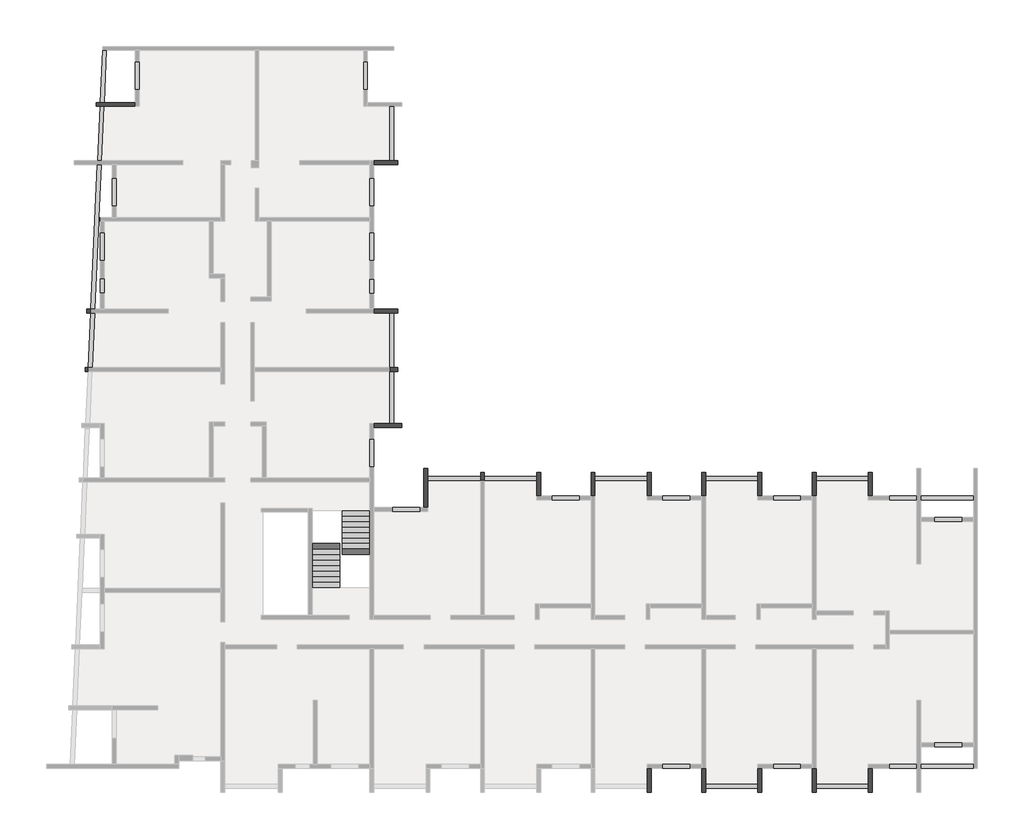
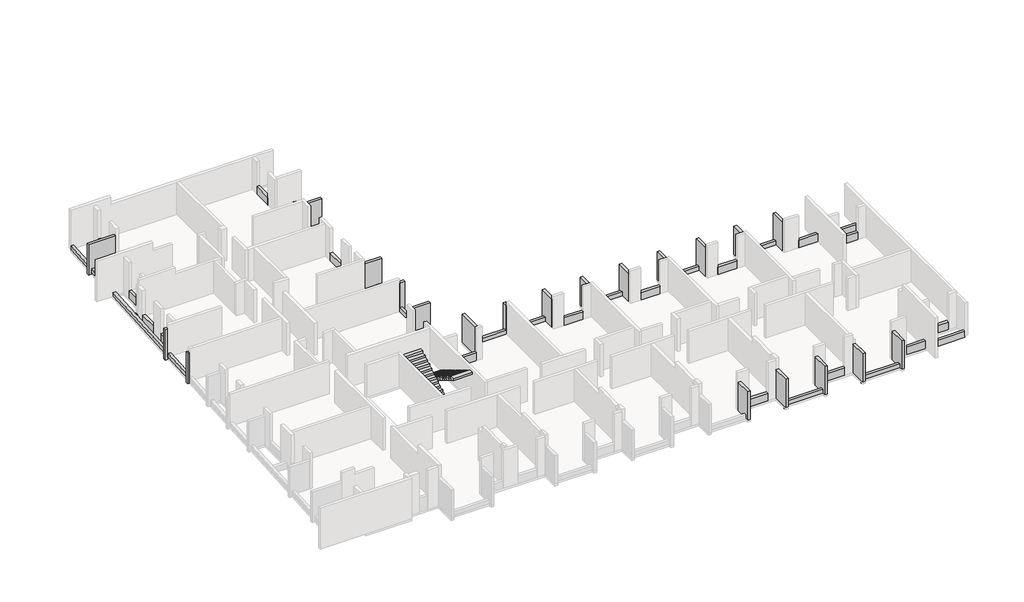
# One storey, part 4 of 4: 57 beams, 2 stair flights.
"""IFC4 building model written with IfcOpenShell, lengths in millimetres."""

from ifc_helpers import new_model, si_unit, frame, origin, place, context, project, spatial, polyline, outline, extrude, faceted_brep, element, save

model = new_model("IFC4")

# Units and contexts
model_context = context("Model", 3, world=origin())
ifc_project = project(units=[si_unit("LENGTHUNIT", "METRE", prefix="MILLI")], contexts=[model_context])

# Site, building, storey
site = spatial("IfcSite", under=ifc_project)
building = spatial("IfcBuilding", under=site)
storey = spatial("IfcBuildingStorey", under=building, Elevation=14820.0)

# Beams
placement = place(None, origin())
element("IfcBeam", 1, ObjectType="VI. 20/238", at=placement, inside=storey, context=model_context, shape_type="Brep", body=[
    faceted_brep([(-43631.1940773, 4000.9327501, 14670.0), (-43631.1940773, 4200.9327501, 14670.0), (-43631.1940773, 4200.9327501, 17050.0), (-43631.1940773, 4100.9327501, 17050.0), (-43631.1940773, 4100.9327501, 14820.0), (-43631.1940773, 4000.9327501, 14820.0), (-43830.6912908, 4000.9327501, 17050.0), (-43830.6912908, 4200.9327501, 17050.0), (-43830.6912908, 4200.9327501, 14670.0), (-43830.6912908, 4000.9327501, 14670.0), (-43635.7305686, 4000.9327501, 14820.0), (-43635.7305686, 4000.9327501, 17050.0)], [[[0, 1, 2, 3, 4, 5]], [[6, 7, 8, 9]], [[6, 9, 0, 5, 10, 11]], [[1, 0, 9, 8]], [[2, 1, 8, 7]], [[7, 6, 11, 3, 2]], [[4, 10, 5]], [[10, 4, 3, 11]]]),
])
element("IfcBeam", 2, ObjectType="VI. 20/238", at=placement, inside=storey, context=model_context, shape_type="Brep", body=[
    faceted_brep([(-3415.6912908, -5419.0672499, 17050.0), (-3615.6912908, -5419.0672499, 17050.0), (-3615.6912908, -5419.0672499, 14820.0), (-3415.6912908, -5419.0672499, 14820.0), (-3615.6912908, -4199.0672499, 17050.0), (-3415.6912908, -4199.0672499, 17050.0), (-3415.6912908, -4199.0672499, 14820.0), (-3615.6912908, -4199.0672499, 14820.0), (-3615.6912908, -4399.0672499, 14820.0), (-3615.6912908, -4599.0672499, 14820.0)], [[[0, 1, 2, 3]], [[4, 5, 6, 7]], [[1, 4, 7, 8, 9, 2]], [[5, 0, 3, 6]], [[1, 0, 5, 4]], [[3, 2, 9, 8, 7, 6]]]),
])
element("IfcBeam", 3, ObjectType="VI. 20/238", at=placement, inside=storey, context=model_context, shape_type="Brep", body=[
    faceted_brep([(-9105.6912908, -5419.0672499, 17050.0), (-9305.6912908, -5419.0672499, 17050.0), (-9305.6912908, -5419.0672499, 14820.0), (-9105.6912908, -5419.0672499, 14820.0), (-9305.6912908, -4199.0672499, 17050.0), (-9105.6912908, -4199.0672499, 17050.0), (-9105.6912908, -4199.0672499, 14820.0), (-9305.6912908, -4199.0672499, 14820.0), (-9305.6912908, -4399.0672499, 14820.0), (-9305.6912908, -4599.0672499, 14820.0)], [[[0, 1, 2, 3]], [[4, 5, 6, 7]], [[1, 4, 7, 8, 9, 2]], [[5, 0, 3, 6]], [[1, 0, 5, 4]], [[3, 2, 9, 8, 7, 6]]]),
])
element("IfcBeam", 4, ObjectType="VI. 20/238", at=placement, inside=storey, context=model_context, shape_type="Brep", body=[
    faceted_brep([(-20485.6912908, -5419.0672499, 17050.0), (-20685.6912908, -5419.0672499, 17050.0), (-20685.6912908, -5419.0672499, 14820.0), (-20485.6912908, -5419.0672499, 14820.0), (-20685.6912908, -4199.0672499, 17050.0), (-20485.6912908, -4199.0672499, 17050.0), (-20485.6912908, -4199.0672499, 14820.0), (-20685.6912908, -4199.0672499, 14820.0), (-20685.6912908, -4399.0672499, 14820.0), (-20685.6912908, -4399.0672499, 15120.0), (-20685.6912908, -4599.0672499, 15120.0), (-20685.6912908, -4599.0672499, 14820.0), (-20655.6912908, -4599.0672499, 15120.0), (-20655.6912908, -4399.0672499, 15120.0), (-20655.6912908, -4399.0672499, 14820.0), (-20655.6912908, -4599.0672499, 14820.0)], [[[0, 1, 2, 3]], [[4, 5, 6, 7]], [[1, 4, 7, 8, 9, 10, 11, 2]], [[5, 0, 3, 6]], [[1, 0, 5, 4]], [[12, 13, 14, 15]], [[10, 12, 15, 11]], [[13, 9, 8, 14]], [[13, 12, 10, 9]], [[3, 2, 11, 15, 14, 8, 7, 6]]]),
])
element("IfcBeam", 5, ObjectType="VI. 20/238", at=placement, inside=storey, context=model_context, shape_type="Brep", body=[
    faceted_brep([(-26495.6912908, -3999.0672499, 17050.0), (-26295.6912908, -3999.0672499, 17050.0), (-26295.6912908, -3999.0672499, 14820.0), (-26495.6912908, -3999.0672499, 14820.0), (-26295.6912908, -6004.0672499, 17050.0), (-26495.6912908, -6004.0672499, 17050.0), (-26495.6912908, -6004.0672499, 14820.0), (-26295.6912908, -6004.0672499, 14820.0), (-26295.6912908, -4599.0672499, 14820.0), (-26295.6912908, -4399.0672499, 14820.0)], [[[0, 1, 2, 3]], [[4, 5, 6, 7]], [[1, 4, 7, 8, 9, 2]], [[5, 0, 3, 6]], [[1, 0, 5, 4]], [[3, 2, 9, 8, 7, 6]]]),
])
element("IfcBeam", 6, ObjectType="VI. 20/238", at=placement, inside=storey, context=model_context, shape_type="Brep", body=[
    faceted_brep([(-14995.6912908, -4199.0672499, 17050.0), (-14795.6912908, -4199.0672499, 17050.0), (-14795.6912908, -4199.0672499, 14820.0), (-14995.6912908, -4199.0672499, 14820.0), (-14795.6912908, -5419.0672499, 17050.0), (-14995.6912908, -5419.0672499, 17050.0), (-14995.6912908, -5419.0672499, 14820.0), (-14795.6912908, -5419.0672499, 14820.0), (-14995.6912908, -4399.0672499, 14820.0), (-14995.6912908, -4399.0672499, 15120.0), (-14995.6912908, -4599.0672499, 15120.0), (-14995.6912908, -4599.0672499, 14820.0), (-14965.6912908, -4599.0672499, 15120.0), (-14965.6912908, -4399.0672499, 15120.0), (-14965.6912908, -4399.0672499, 14820.0), (-14965.6912908, -4599.0672499, 14820.0)], [[[0, 1, 2, 3]], [[4, 5, 6, 7]], [[1, 4, 7, 2]], [[5, 0, 3, 8, 9, 10, 11, 6]], [[1, 0, 5, 4]], [[12, 13, 14, 15]], [[10, 12, 15, 11]], [[13, 9, 8, 14]], [[13, 12, 10, 9]], [[3, 2, 7, 6, 11, 15, 14, 8]]]),
])
element("IfcBeam", 7, ObjectType="VI. 20/238", at=placement, inside=storey, context=model_context, shape_type="Brep", body=[
    faceted_brep([(-3415.6912908, -20669.0672499, 17050.0), (-3615.6912908, -20669.0672499, 17050.0), (-3615.6912908, -20669.0672499, 14820.0), (-3415.6912908, -20669.0672499, 14820.0), (-3615.6912908, -19419.0672499, 17050.0), (-3415.6912908, -19419.0672499, 17050.0), (-3415.6912908, -19419.0672499, 14820.0), (-3615.6912908, -19419.0672499, 14820.0), (-3615.6912908, -20249.0672499, 14820.0), (-3615.6912908, -20449.0672499, 14820.0)], [[[0, 1, 2, 3]], [[4, 5, 6, 7]], [[1, 4, 7, 8, 9, 2]], [[5, 0, 3, 6]], [[1, 0, 5, 4]], [[3, 2, 9, 8, 7, 6]]]),
])
element("IfcBeam", 8, ObjectType="VI. 20/238", at=placement, inside=storey, context=model_context, shape_type="Brep", body=[
    faceted_brep([(-6505.6912908, -20669.0672499, 17050.0), (-6505.6912908, -20669.0672499, 14670.0), (-6305.6912908, -20669.0672499, 14670.0), (-6305.6912908, -20669.0672499, 17050.0), (-6505.6912908, -19419.0672499, 17050.0), (-6305.6912908, -19419.0672499, 17050.0), (-6305.6912908, -19419.0672499, 14820.0), (-6505.6912908, -19419.0672499, 14820.0), (-6505.6912908, -20449.0672499, 14820.0), (-6505.6912908, -20449.0672499, 14670.0), (-6305.6912908, -20449.0672499, 14670.0), (-6305.6912908, -20449.0672499, 14820.0), (-6305.6912908, -20249.0672499, 14820.0)], [[[0, 1, 2, 3]], [[4, 5, 6, 7]], [[1, 0, 4, 7, 8, 9]], [[2, 1, 9, 10]], [[3, 2, 10, 11, 12, 6, 5]], [[0, 3, 5, 4]], [[8, 11, 10, 9]], [[11, 8, 7, 6, 12]]]),
])
element("IfcBeam", 9, ObjectType="VI. 20/238", at=placement, inside=storey, context=model_context, shape_type="Brep", body=[
    faceted_brep([(-9105.6912908, -20669.0672499, 17050.0), (-9305.6912908, -20669.0672499, 17050.0), (-9305.6912908, -20669.0672499, 14820.0), (-9105.6912908, -20669.0672499, 14820.0), (-9305.6912908, -19419.0672499, 17050.0), (-9105.6912908, -19419.0672499, 17050.0), (-9105.6912908, -19419.0672499, 14820.0), (-9305.6912908, -19419.0672499, 14820.0), (-9305.6912908, -20249.0672499, 14820.0), (-9305.6912908, -20449.0672499, 14820.0)], [[[0, 1, 2, 3]], [[4, 5, 6, 7]], [[1, 4, 7, 8, 9, 2]], [[5, 0, 3, 6]], [[1, 0, 5, 4]], [[3, 2, 9, 8, 7, 6]]]),
])
element("IfcBeam", 10, ObjectType="VI. 20/238", at=placement, inside=storey, context=model_context, shape_type="Brep", body=[
    faceted_brep([(-12195.6912908, -20669.0672499, 17050.0), (-12195.6912908, -20669.0672499, 14670.0), (-11995.6912908, -20669.0672499, 14670.0), (-11995.6912908, -20669.0672499, 17050.0), (-12195.6912908, -19419.0672499, 17050.0), (-11995.6912908, -19419.0672499, 17050.0), (-11995.6912908, -19419.0672499, 14820.0), (-12195.6912908, -19419.0672499, 14820.0), (-12195.6912908, -20449.0672499, 14820.0), (-12195.6912908, -20449.0672499, 14670.0), (-11995.6912908, -20449.0672499, 14670.0), (-11995.6912908, -20449.0672499, 14820.0), (-11995.6912908, -20249.0672499, 14820.0)], [[[0, 1, 2, 3]], [[4, 5, 6, 7]], [[1, 0, 4, 7, 8, 9]], [[2, 1, 9, 10]], [[3, 2, 10, 11, 12, 6, 5]], [[0, 3, 5, 4]], [[8, 11, 10, 9]], [[11, 8, 7, 6, 12]]]),
])
element("IfcBeam", 11, ObjectType="VI. 20/238", at=placement, inside=storey, context=model_context, shape_type="Brep", body=[
    faceted_brep([(-14795.6912908, -20669.0672499, 17050.0), (-14995.6912908, -20669.0672499, 17050.0), (-14995.6912908, -20669.0672499, 14820.0), (-14795.6912908, -20669.0672499, 14820.0), (-14995.6912908, -19419.0672499, 17050.0), (-14795.6912908, -19419.0672499, 17050.0), (-14795.6912908, -19419.0672499, 14820.0), (-14995.6912908, -19419.0672499, 14820.0), (-14995.6912908, -20249.0672499, 14820.0), (-14995.6912908, -20449.0672499, 14820.0)], [[[0, 1, 2, 3]], [[4, 5, 6, 7]], [[1, 4, 7, 8, 9, 2]], [[5, 0, 3, 6]], [[1, 0, 5, 4]], [[3, 2, 9, 8, 7, 6]]]),
])
element("IfcBeam", 12, ObjectType="VI. 20/238", at=placement, inside=storey, context=model_context, shape_type="Brep", body=[
    faceted_brep([(-43355.6912908, 14650.9327501, 17050.0), (-43355.6912908, 14850.9327501, 17050.0), (-43355.6912908, 14850.9327501, 14670.0), (-43355.6912908, 14650.9327501, 14670.0), (-43152.5942526, 14650.9327501, 14670.0), (-43152.5942526, 14650.9327501, 14820.0), (-42952.3885608, 14650.9327501, 14820.0), (-41335.6912908, 14650.9327501, 14820.0), (-41335.6912908, 14650.9327501, 17050.0), (-43143.5212701, 14850.9327501, 14670.0), (-41335.6912908, 14850.9327501, 17050.0), (-41335.6912908, 14850.9327501, 14820.0), (-42943.3155784, 14850.9327501, 14820.0), (-43143.5212701, 14850.9327501, 14820.0)], [[[0, 1, 2, 3]], [[0, 3, 4, 5, 6, 7, 8]], [[3, 2, 9, 4]], [[2, 1, 10, 11, 12, 13, 9]], [[1, 0, 8, 10]], [[10, 8, 7, 11]], [[13, 5, 4, 9]], [[5, 13, 12, 11, 7, 6]]]),
])
element("IfcBeam", 13, ObjectType="VI. 20/238", at=placement, inside=storey, context=model_context, shape_type="Brep", body=[
    faceted_brep([(-27635.6912908, -1689.5482142, 17050.0), (-27635.6912908, -1889.5482142, 17050.0), (-27635.6912908, -1889.5482142, 14820.0), (-27635.6912908, -1689.5482142, 14820.0), (-29065.6912908, -1889.5482142, 17050.0), (-29065.6912908, -1689.5482142, 17050.0), (-29065.6912908, -1689.5482142, 14820.0), (-29065.6912908, -1889.5482142, 14820.0), (-28035.6912908, -1689.5482142, 14820.0), (-28235.6912908, -1689.5482142, 14820.0)], [[[0, 1, 2, 3]], [[4, 5, 6, 7]], [[5, 0, 3, 8, 9, 6]], [[1, 4, 7, 2]], [[1, 0, 5, 4]], [[3, 2, 7, 6, 9, 8]]]),
])
element("IfcBeam", 14, ObjectType="VI. 20/238", at=placement, inside=storey, context=model_context, shape_type="Brep", body=[
    faceted_brep([(-43915.6912908, 1000.9327501, 17050.0), (-43915.6912908, 1200.9327501, 17050.0), (-43915.6912908, 1200.9327501, 14670.0), (-43915.6912908, 1000.9327501, 14670.0), (-43771.8253055, 1000.9327501, 14670.0), (-43771.8253055, 1000.9327501, 14820.0), (-43771.8253055, 1000.9327501, 17050.0), (-43762.752323, 1200.9327501, 14670.0), (-43762.752323, 1200.9327501, 17050.0), (-43762.752323, 1200.9327501, 14820.0)], [[[0, 1, 2, 3]], [[0, 3, 4, 5, 6]], [[3, 2, 7, 4]], [[2, 1, 8, 9, 7]], [[1, 0, 6, 8]], [[4, 7, 9, 8, 6, 5]]]),
])
element("IfcBeam", 15, ObjectType="VI. 20/238", at=placement, inside=storey, context=model_context, shape_type="Brep", body=[
    faceted_brep([(-27835.6912908, 1200.9327501, 17050.0), (-27835.6912908, 1000.9327501, 17050.0), (-27835.6912908, 1000.9327501, 14820.0), (-27835.6912908, 1200.9327501, 14820.0), (-28235.6912908, 1000.9327501, 17050.0), (-28235.6912908, 1200.9327501, 17050.0), (-28235.6912908, 1200.9327501, 14820.0), (-28235.6912908, 1000.9327501, 14820.0), (-28035.6912908, 1200.9327501, 14820.0), (-28035.6912908, 1000.9327501, 14820.0)], [[[0, 1, 2, 3]], [[4, 5, 6, 7]], [[5, 0, 3, 8, 6]], [[1, 4, 7, 9, 2]], [[1, 0, 5, 4]], [[3, 2, 9, 7, 6, 8]]]),
])
element("IfcBeam", 16, ObjectType="VI. 20/238", at=placement, inside=storey, context=model_context, shape_type="Brep", body=[
    faceted_brep([(-17885.6912908, -4199.0672499, 17050.0), (-17685.6912908, -4199.0672499, 17050.0), (-17685.6912908, -4199.0672499, 14820.0), (-17885.6912908, -4199.0672499, 14820.0), (-17685.6912908, -5419.0672499, 17050.0), (-17885.6912908, -5419.0672499, 17050.0), (-17885.6912908, -5419.0672499, 14820.0), (-17685.6912908, -5419.0672499, 14820.0), (-17685.6912908, -4399.0672499, 14820.0)], [[[0, 1, 2, 3]], [[4, 5, 6, 7]], [[1, 4, 7, 8, 2]], [[5, 0, 3, 6]], [[1, 0, 5, 4]], [[3, 2, 8, 7, 6]]]),
])
element("IfcBeam", 17, ObjectType="VI. 20/238", at=placement, inside=storey, context=model_context, shape_type="Brep", body=[
    faceted_brep([(-6305.6912908, -5419.0672499, 17050.0), (-6505.6912908, -5419.0672499, 17050.0), (-6505.6912908, -5419.0672499, 14820.0), (-6305.6912908, -5419.0672499, 14820.0), (-6505.6912908, -4199.0672499, 17050.0), (-6305.6912908, -4199.0672499, 17050.0), (-6305.6912908, -4199.0672499, 14820.0), (-6505.6912908, -4199.0672499, 14820.0), (-6305.6912908, -4399.0672499, 14820.0)], [[[0, 1, 2, 3]], [[4, 5, 6, 7]], [[1, 4, 7, 2]], [[5, 0, 3, 8, 6]], [[1, 0, 5, 4]], [[3, 2, 7, 6, 8]]]),
])
element("IfcBeam", 18, ObjectType="VI. 20/238", at=placement, inside=storey, context=model_context, shape_type="Brep", body=[
    faceted_brep([(-11995.6912908, -5419.0672499, 17050.0), (-12195.6912908, -5419.0672499, 17050.0), (-12195.6912908, -5419.0672499, 14820.0), (-11995.6912908, -5419.0672499, 14820.0), (-12195.6912908, -4199.0672499, 17050.0), (-11995.6912908, -4199.0672499, 17050.0), (-11995.6912908, -4199.0672499, 14820.0), (-12195.6912908, -4199.0672499, 14820.0), (-11995.6912908, -4399.0672499, 14820.0)], [[[0, 1, 2, 3]], [[4, 5, 6, 7]], [[1, 4, 7, 2]], [[5, 0, 3, 8, 6]], [[1, 0, 5, 4]], [[3, 2, 7, 6, 8]]]),
])
element("IfcBeam", 19, ObjectType="VI. 20/238", at=placement, inside=storey, context=model_context, shape_type="Brep", body=[
    faceted_brep([(-23375.6912908, -4599.0672499, 17050.0), (-23575.6912908, -4599.0672499, 17050.0), (-23575.6912908, -4599.0672499, 14820.0), (-23375.6912908, -4599.0672499, 14820.0), (-23575.6912908, -4199.0672499, 17050.0), (-23375.6912908, -4199.0672499, 17050.0), (-23375.6912908, -4199.0672499, 14820.0), (-23575.6912908, -4199.0672499, 14820.0), (-23575.6912908, -4399.0672499, 14820.0), (-23375.6912908, -4399.0672499, 14820.0)], [[[0, 1, 2, 3]], [[4, 5, 6, 7]], [[1, 4, 7, 8, 2]], [[5, 0, 3, 9, 6]], [[1, 0, 5, 4]], [[3, 2, 8, 7, 6, 9]]]),
])
element("IfcBeam", 20, ObjectType="VI. 20/238", at=placement, inside=storey, context=model_context, shape_type="Brep", body=[
    faceted_brep([(-27835.6912908, 4200.9327501, 17050.0), (-27835.6912908, 4000.9327501, 17050.0), (-27835.6912908, 4000.9327501, 14820.0), (-27835.6912908, 4200.9327501, 14820.0), (-29065.6912908, 4000.9327501, 17050.0), (-29065.6912908, 4200.9327501, 17050.0), (-29065.6912908, 4200.9327501, 14820.0), (-29065.6912908, 4000.9327501, 14820.0), (-28235.6912908, 4000.9327501, 14820.0), (-28035.6912908, 4000.9327501, 14820.0)], [[[0, 1, 2, 3]], [[4, 5, 6, 7]], [[5, 0, 3, 6]], [[1, 4, 7, 8, 9, 2]], [[1, 0, 5, 4]], [[3, 2, 9, 8, 7, 6]]]),
])
element("IfcBeam", 21, ObjectType="VI. 20/238", at=placement, inside=storey, context=model_context, shape_type="Brep", body=[
    faceted_brep([(-27835.6912908, 11850.9327501, 17050.0), (-27835.6912908, 11650.9327501, 17050.0), (-27835.6912908, 11650.9327501, 14820.0), (-27835.6912908, 11850.9327501, 14820.0), (-29065.6912908, 11650.9327501, 17050.0), (-29065.6912908, 11850.9327501, 17050.0), (-29065.6912908, 11850.9327501, 14820.0), (-29065.6912908, 11650.9327501, 14820.0), (-28035.6912908, 11850.9327501, 14820.0), (-28235.6912908, 11850.9327501, 14820.0)], [[[0, 1, 2, 3]], [[4, 5, 6, 7]], [[5, 0, 3, 8, 9, 6]], [[1, 4, 7, 2]], [[1, 0, 5, 4]], [[3, 2, 7, 6, 9, 8]]]),
])
element("IfcBeam", 22, ObjectType="VI. 20/45", at=placement, inside=storey, context=model_context, shape_type="SweptSolid", body=[
    extrude(outline(polyline([(-3615.6912908, -4399.0672499), (-3615.6912908, -4599.0672499), (-6305.6912908, -4599.0672499), (-6305.6912908, -4399.0672499), (-3615.6912908, -4399.0672499)])), frame((0.0, 0.0, 14820.0), z_axis=(0.0, 0.0, 1.0), x_axis=(1.0, 0.0, 0.0)), (0.0, 0.0, 1.0), 300.0),
])
element("IfcBeam", 23, ObjectType="VI. 20/45", at=placement, inside=storey, context=model_context, shape_type="SweptSolid", body=[
    extrude(outline(polyline([(-9305.6912908, -4399.0672499), (-9305.6912908, -4599.0672499), (-11995.6912908, -4599.0672499), (-11995.6912908, -4399.0672499), (-9305.6912908, -4399.0672499)])), frame((0.0, 0.0, 14820.0), z_axis=(0.0, 0.0, 1.0), x_axis=(1.0, 0.0, 0.0)), (0.0, 0.0, 1.0), 300.0),
])
element("IfcBeam", 24, ObjectType="VI. 20/45", at=placement, inside=storey, context=model_context, shape_type="Brep", body=[
    faceted_brep([(-14965.6912908, -4399.0672499, 15120.0), (-14965.6912908, -4599.0672499, 15120.0), (-14965.6912908, -4599.0672499, 14820.0), (-14965.6912908, -4399.0672499, 14820.0), (-17685.6912908, -4599.0672499, 15120.0), (-17685.6912908, -4399.0672499, 15120.0), (-17685.6912908, -4399.0672499, 14820.0), (-17685.6912908, -4599.0672499, 14820.0), (-14995.6912908, -4599.0672499, 15120.0), (-14995.6912908, -4599.0672499, 14820.0), (-14995.6912908, -4399.0672499, 15120.0), (-14995.6912908, -4399.0672499, 14820.0)], [[[0, 1, 2, 3]], [[4, 5, 6, 7]], [[1, 8, 4, 7, 9, 2]], [[5, 10, 0, 3, 11, 6]], [[1, 0, 10, 5, 4, 8]], [[3, 2, 9, 7, 6, 11]]]),
])
element("IfcBeam", 25, ObjectType="VI. 20/45", at=placement, inside=storey, context=model_context, shape_type="Brep", body=[
    faceted_brep([(-20655.6912908, -4399.0672499, 15120.0), (-20655.6912908, -4599.0672499, 15120.0), (-20655.6912908, -4599.0672499, 14820.0), (-20655.6912908, -4399.0672499, 14820.0), (-23375.6912908, -4599.0672499, 15120.0), (-23375.6912908, -4399.0672499, 15120.0), (-23375.6912908, -4399.0672499, 14820.0), (-23375.6912908, -4599.0672499, 14820.0), (-20685.6912908, -4599.0672499, 15120.0), (-20685.6912908, -4599.0672499, 14820.0), (-20685.6912908, -4399.0672499, 15120.0), (-20685.6912908, -4399.0672499, 14820.0)], [[[0, 1, 2, 3]], [[4, 5, 6, 7]], [[1, 8, 4, 7, 9, 2]], [[5, 10, 0, 3, 11, 6]], [[1, 0, 10, 5, 4, 8]], [[3, 2, 9, 7, 6, 11]]]),
])
element("IfcBeam", 26, ObjectType="VI. 20/45", at=placement, inside=storey, context=model_context, shape_type="SweptSolid", body=[
    extrude(outline(polyline([(-23575.6912908, -4399.0672499), (-23575.6912908, -4599.0672499), (-26295.6912908, -4599.0672499), (-26295.6912908, -4399.0672499), (-23575.6912908, -4399.0672499)])), frame((0.0, 0.0, 14820.0), z_axis=(0.0, 0.0, 1.0), x_axis=(1.0, 0.0, 0.0)), (0.0, 0.0, 1.0), 300.0),
])
element("IfcBeam", 27, ObjectType="VI. 20/45", at=placement, inside=storey, context=model_context, shape_type="SweptSolid", body=[
    extrude(outline(polyline([(-6305.6912908, -20449.0672499), (-6305.6912908, -20249.0672499), (-3615.6912908, -20249.0672499), (-3615.6912908, -20449.0672499), (-6305.6912908, -20449.0672499)])), frame((0.0, 0.0, 14820.0), z_axis=(0.0, 0.0, 1.0), x_axis=(1.0, 0.0, 0.0)), (0.0, 0.0, 1.0), 300.0),
])
element("IfcBeam", 28, ObjectType="VI. 20/45", at=placement, inside=storey, context=model_context, shape_type="SweptSolid", body=[
    extrude(outline(polyline([(-9305.6912908, -20249.0672499), (-9305.6912908, -20449.0672499), (-11995.6912908, -20449.0672499), (-11995.6912908, -20249.0672499), (-9305.6912908, -20249.0672499)])), frame((0.0, 0.0, 14820.0), z_axis=(0.0, 0.0, 1.0), x_axis=(1.0, 0.0, 0.0)), (0.0, 0.0, 1.0), 300.0),
])
element("IfcBeam", 29, ObjectType="VI. 20/45", at=placement, inside=storey, context=model_context, shape_type="SweptSolid", body=[
    extrude(outline(polyline([(-28235.6912908, 14650.9327501), (-28035.6912908, 14650.9327501), (-28035.6912908, 11850.9327501), (-28235.6912908, 11850.9327501), (-28235.6912908, 14650.9327501)])), frame((0.0, 0.0, 14820.0), z_axis=(0.0, 0.0, 1.0), x_axis=(1.0, 0.0, 0.0)), (0.0, 0.0, 1.0), 300.0),
])
element("IfcBeam", 30, ObjectType="VI. 20/45", at=placement, inside=storey, context=model_context, shape_type="SweptSolid", body=[
    extrude(outline(polyline([(-28235.6912908, 4000.9327501), (-28035.6912908, 4000.9327501), (-28035.6912908, 1200.9327501), (-28235.6912908, 1200.9327501), (-28235.6912908, 4000.9327501)])), frame((0.0, 0.0, 14820.0), z_axis=(0.0, 0.0, 1.0), x_axis=(1.0, 0.0, 0.0)), (0.0, 0.0, 1.0), 300.0),
])
element("IfcBeam", 31, ObjectType="VI. 20/45", at=placement, inside=storey, context=model_context, shape_type="SweptSolid", body=[
    extrude(outline(polyline([(-28035.6912908, -1689.5482142), (-28235.6912908, -1689.5482142), (-28235.6912908, 1000.9327501), (-28035.6912908, 1000.9327501), (-28035.6912908, -1689.5482142)])), frame((0.0, 0.0, 14820.0), z_axis=(0.0, 0.0, 1.0), x_axis=(1.0, 0.0, 0.0)), (0.0, 0.0, 1.0), 300.0),
])
element("IfcBeam", 32, ObjectType="VI. 20/45", at=placement, inside=storey, context=model_context, shape_type="SweptSolid", body=[
    extrude(outline(polyline([(-42821.7376134, 17530.9327501), (-42943.3155784, 14850.9327501), (-43143.5212701, 14850.9327501), (-43021.9433052, 17530.9327501), (-42821.7376134, 17530.9327501)])), frame((0.0, 0.0, 14820.0), z_axis=(0.0, 0.0, 1.0), x_axis=(1.0, 0.0, 0.0)), (0.0, 0.0, 1.0), 300.0),
])
element("IfcBeam", 33, ObjectType="VI. 20/45", at=placement, inside=storey, context=model_context, shape_type="SweptSolid", body=[
    extrude(outline(polyline([(-43152.5942526, 14650.9327501), (-42952.3885608, 14650.9327501), (-43079.4103153, 11850.9327501), (-43279.616007, 11850.9327501), (-43152.5942526, 14650.9327501)])), frame((0.0, 0.0, 14820.0), z_axis=(0.0, 0.0, 1.0), x_axis=(1.0, 0.0, 0.0)), (0.0, 0.0, 1.0), 300.0),
])
element("IfcBeam", 34, ObjectType="VI. 20/45", at=placement, inside=storey, context=model_context, shape_type="SweptSolid", body=[
    extrude(outline(polyline([(-43135.6912908, 8730.9327501), (-43220.9488416, 8730.9327501), (-43211.8758592, 8930.9327501), (-43135.6912908, 8930.9327501), (-43135.6912908, 8730.9327501)])), frame((0.0, 0.0, 14820.0), z_axis=(0.0, 0.0, 1.0), x_axis=(1.0, 0.0, 0.0)), (0.0, 0.0, 1.0), 300.0),
])
element("IfcBeam", 35, ObjectType="VI. 20/45", at=placement, inside=storey, context=model_context, shape_type="Brep", body=[
    faceted_brep([(-43088.4832977, 11650.9327501, 14820.0), (-43088.4832977, 11650.9327501, 15120.0), (-43211.8758592, 8930.9327501, 15120.0), (-43220.9488416, 8730.9327501, 15120.0), (-43426.4518943, 4200.9327501, 15120.0), (-43426.4518943, 4200.9327501, 14820.0), (-43220.9488416, 8730.9327501, 14820.0), (-43211.8758592, 8930.9327501, 14820.0), (-43288.6889895, 11650.9327501, 15120.0), (-43288.6889895, 11650.9327501, 14820.0), (-43626.6575861, 4200.9327501, 14820.0), (-43626.6575861, 4200.9327501, 15120.0)], [[[0, 1, 2, 3, 4, 5, 6, 7]], [[8, 9, 10, 11]], [[1, 8, 11, 4, 3, 2]], [[8, 1, 0, 9]], [[0, 7, 6, 5, 10, 9]], [[5, 4, 11, 10]]]),
])
element("IfcBeam", 36, ObjectType="VI. 20/45", at=placement, inside=storey, context=model_context, shape_type="SweptSolid", body=[
    extrude(outline(polyline([(-43562.5466312, 1200.9327501), (-43762.752323, 1200.9327501), (-43635.7305686, 4000.9327501), (-43435.5248768, 4000.9327501), (-43562.5466312, 1200.9327501)])), frame((0.0, 0.0, 14820.0), z_axis=(0.0, 0.0, 1.0), x_axis=(1.0, 0.0, 0.0)), (0.0, 0.0, 1.0), 300.0),
])
element("IfcBeam", 37, ObjectType="VI. 20/47", at=placement, inside=storey, context=model_context, shape_type="Brep", body=[
    faceted_brep([(1794.3087092, -5619.0672499, 15140.0), (1794.3087092, -5619.0672499, 14670.0), (1794.3087092, -5419.0672499, 14670.0), (1794.3087092, -5419.0672499, 15140.0), (-925.6912908, -5619.0672499, 15140.0), (-925.6912908, -5419.0672499, 15140.0), (-925.6912908, -5419.0672499, 14820.0), (-925.6912908, -5419.0672499, 14670.0), (-925.6912908, -5619.0672499, 14670.0), (-925.6912908, -5619.0672499, 14820.0)], [[[0, 1, 2, 3]], [[4, 5, 6, 7, 8, 9]], [[1, 0, 4, 9, 8]], [[2, 1, 8, 7]], [[3, 2, 7, 6, 5]], [[0, 3, 5, 4]]]),
])
element("IfcBeam", 38, ObjectType="VI. 20/47", at=placement, inside=storey, context=model_context, shape_type="Brep", body=[
    faceted_brep([(1794.3087092, -19419.0672499, 15140.0), (1794.3087092, -19419.0672499, 14820.0), (1794.3087092, -19419.0672499, 14670.0), (1794.3087092, -19219.0672499, 14670.0), (1794.3087092, -19219.0672499, 15140.0), (-925.6912908, -19419.0672499, 15140.0), (-925.6912908, -19219.0672499, 15140.0), (-925.6912908, -19219.0672499, 14820.0), (-925.6912908, -19219.0672499, 14670.0), (-925.6912908, -19419.0672499, 14670.0), (-925.6912908, -19419.0672499, 14820.0)], [[[0, 1, 2, 3, 4]], [[5, 6, 7, 8, 9, 10]], [[2, 1, 0, 5, 10, 9]], [[3, 2, 9, 8]], [[4, 3, 8, 7, 6]], [[0, 4, 6, 5]]]),
])
element("IfcBeam", 39, ObjectType="VI. 20/75", at=placement, inside=storey, context=model_context, shape_type="SweptSolid", body=[
    extrude(outline(polyline([(1189.3087092, -6519.0672499), (1189.3087092, -6719.0672499), (-200.6912908, -6719.0672499), (-200.6912908, -6519.0672499), (1189.3087092, -6519.0672499)])), frame((0.0, 0.0, 14820.0), z_axis=(0.0, 0.0, 1.0), x_axis=(1.0, 0.0, 0.0)), (0.0, 0.0, 1.0), 600.0),
])
element("IfcBeam", 40, ObjectType="VI. 20/75", at=placement, inside=storey, context=model_context, shape_type="SweptSolid", body=[
    extrude(outline(polyline([(-1125.6912908, -5419.0672499), (-1125.6912908, -5619.0672499), (-2545.6912908, -5619.0672499), (-2545.6912908, -5419.0672499), (-1125.6912908, -5419.0672499)])), frame((0.0, 0.0, 14820.0), z_axis=(0.0, 0.0, 1.0), x_axis=(1.0, 0.0, 0.0)), (0.0, 0.0, 1.0), 600.0),
])
element("IfcBeam", 41, ObjectType="VI. 20/75", at=placement, inside=storey, context=model_context, shape_type="SweptSolid", body=[
    extrude(outline(polyline([(1189.3087092, -18119.0672499), (1189.3087092, -18319.0672499), (-200.6912908, -18319.0672499), (-200.6912908, -18119.0672499), (1189.3087092, -18119.0672499)])), frame((0.0, 0.0, 14820.0), z_axis=(0.0, 0.0, 1.0), x_axis=(1.0, 0.0, 0.0)), (0.0, 0.0, 1.0), 600.0),
])
element("IfcBeam", 42, ObjectType="VI. 20/75", at=placement, inside=storey, context=model_context, shape_type="SweptSolid", body=[
    extrude(outline(polyline([(-1125.6912908, -19219.0672499), (-1125.6912908, -19419.0672499), (-2545.6912908, -19419.0672499), (-2545.6912908, -19219.0672499), (-1125.6912908, -19219.0672499)])), frame((0.0, 0.0, 14820.0), z_axis=(0.0, 0.0, 1.0), x_axis=(1.0, 0.0, 0.0)), (0.0, 0.0, 1.0), 600.0),
])
element("IfcBeam", 43, ObjectType="VI. 20/75", at=placement, inside=storey, context=model_context, shape_type="SweptSolid", body=[
    extrude(outline(polyline([(-7085.6912908, -5419.0672499), (-7085.6912908, -5619.0672499), (-8525.6912908, -5619.0672499), (-8525.6912908, -5419.0672499), (-7085.6912908, -5419.0672499)])), frame((0.0, 0.0, 14820.0), z_axis=(0.0, 0.0, 1.0), x_axis=(1.0, 0.0, 0.0)), (0.0, 0.0, 1.0), 600.0),
])
element("IfcBeam", 44, ObjectType="VI. 20/75", at=placement, inside=storey, context=model_context, shape_type="SweptSolid", body=[
    extrude(outline(polyline([(-7085.6912908, -19219.0672499), (-7085.6912908, -19419.0672499), (-8525.6912908, -19419.0672499), (-8525.6912908, -19219.0672499), (-7085.6912908, -19219.0672499)])), frame((0.0, 0.0, 14820.0), z_axis=(0.0, 0.0, 1.0), x_axis=(1.0, 0.0, 0.0)), (0.0, 0.0, 1.0), 600.0),
])
element("IfcBeam", 45, ObjectType="VI. 20/75", at=placement, inside=storey, context=model_context, shape_type="SweptSolid", body=[
    extrude(outline(polyline([(-12775.6912908, -19219.0672499), (-12775.6912908, -19419.0672499), (-14215.6912908, -19419.0672499), (-14215.6912908, -19219.0672499), (-12775.6912908, -19219.0672499)])), frame((0.0, 0.0, 14820.0), z_axis=(0.0, 0.0, 1.0), x_axis=(1.0, 0.0, 0.0)), (0.0, 0.0, 1.0), 600.0),
])
element("IfcBeam", 46, ObjectType="VI. 20/75", at=placement, inside=storey, context=model_context, shape_type="SweptSolid", body=[
    extrude(outline(polyline([(-41135.6912908, 15510.9327501), (-41335.6912908, 15510.9327501), (-41335.6912908, 16950.9327501), (-41135.6912908, 16950.9327501), (-41135.6912908, 15510.9327501)])), frame((0.0, 0.0, 14820.0), z_axis=(0.0, 0.0, 1.0), x_axis=(1.0, 0.0, 0.0)), (0.0, 0.0, 1.0), 600.0),
])
element("IfcBeam", 47, ObjectType="VI. 20/75", at=placement, inside=storey, context=model_context, shape_type="SweptSolid", body=[
    extrude(outline(polyline([(-42525.6912908, 10950.9327501), (-42325.6912908, 10950.9327501), (-42325.6912908, 9510.9327501), (-42525.6912908, 9510.9327501), (-42525.6912908, 10950.9327501)])), frame((0.0, 0.0, 14820.0), z_axis=(0.0, 0.0, 1.0), x_axis=(1.0, 0.0, 0.0)), (0.0, 0.0, 1.0), 600.0),
])
element("IfcBeam", 48, ObjectType="VI. 20/75", at=placement, inside=storey, context=model_context, shape_type="SweptSolid", body=[
    extrude(outline(polyline([(-29265.6912908, 8150.9327501), (-29065.6912908, 8150.9327501), (-29065.6912908, 6710.9327501), (-29265.6912908, 6710.9327501), (-29265.6912908, 8150.9327501)])), frame((0.0, 0.0, 14820.0), z_axis=(0.0, 0.0, 1.0), x_axis=(1.0, 0.0, 0.0)), (0.0, 0.0, 1.0), 600.0),
])
element("IfcBeam", 49, ObjectType="VI. 20/75", at=placement, inside=storey, context=model_context, shape_type="SweptSolid", body=[
    extrude(outline(polyline([(-29065.6912908, -3909.0672499), (-29265.6912908, -3909.0672499), (-29265.6912908, -2469.0672499), (-29065.6912908, -2469.0672499), (-29065.6912908, -3909.0672499)])), frame((0.0, 0.0, 14820.0), z_axis=(0.0, 0.0, 1.0), x_axis=(1.0, 0.0, 0.0)), (0.0, 0.0, 1.0), 600.0),
])
element("IfcBeam", 50, ObjectType="VI. 20/75", at=placement, inside=storey, context=model_context, shape_type="SweptSolid", body=[
    extrude(outline(polyline([(-42935.6912908, 6710.9327501), (-43135.6912908, 6710.9327501), (-43135.6912908, 8150.9327501), (-42935.6912908, 8150.9327501), (-42935.6912908, 6710.9327501)])), frame((0.0, 0.0, 14820.0), z_axis=(0.0, 0.0, 1.0), x_axis=(1.0, 0.0, 0.0)), (0.0, 0.0, 1.0), 600.0),
])
element("IfcBeam", 51, ObjectType="VI. 20/75", at=placement, inside=storey, context=model_context, shape_type="SweptSolid", body=[
    extrude(outline(polyline([(-12775.6912908, -5419.0672499), (-12775.6912908, -5619.0672499), (-14215.6912908, -5619.0672499), (-14215.6912908, -5419.0672499), (-12775.6912908, -5419.0672499)])), frame((0.0, 0.0, 14820.0), z_axis=(0.0, 0.0, 1.0), x_axis=(1.0, 0.0, 0.0)), (0.0, 0.0, 1.0), 600.0),
])
element("IfcBeam", 52, ObjectType="VI. 20/75", at=placement, inside=storey, context=model_context, shape_type="SweptSolid", body=[
    extrude(outline(polyline([(-18465.6912908, -5419.0672499), (-18465.6912908, -5619.0672499), (-19905.6912908, -5619.0672499), (-19905.6912908, -5419.0672499), (-18465.6912908, -5419.0672499)])), frame((0.0, 0.0, 14820.0), z_axis=(0.0, 0.0, 1.0), x_axis=(1.0, 0.0, 0.0)), (0.0, 0.0, 1.0), 600.0),
])
element("IfcBeam", 53, ObjectType="VI. 20/75", at=placement, inside=storey, context=model_context, shape_type="SweptSolid", body=[
    extrude(outline(polyline([(-26675.6912908, -6004.0672499), (-26675.6912908, -6204.0672499), (-28115.6912908, -6204.0672499), (-28115.6912908, -6004.0672499), (-26675.6912908, -6004.0672499)])), frame((0.0, 0.0, 14820.0), z_axis=(0.0, 0.0, 1.0), x_axis=(1.0, 0.0, 0.0)), (0.0, 0.0, 1.0), 600.0),
])
element("IfcBeam", 54, ObjectType="VI. 20/75", at=placement, inside=storey, context=model_context, shape_type="SweptSolid", body=[
    extrude(outline(polyline([(-42935.6912908, 5030.9327501), (-43135.6912908, 5030.9327501), (-43135.6912908, 5770.9327501), (-42935.6912908, 5770.9327501), (-42935.6912908, 5030.9327501)])), frame((0.0, 0.0, 14820.0), z_axis=(0.0, 0.0, 1.0), x_axis=(1.0, 0.0, 0.0)), (0.0, 0.0, 1.0), 600.0),
])
element("IfcBeam", 55, ObjectType="VI. 20/75", at=placement, inside=storey, context=model_context, shape_type="SweptSolid", body=[
    extrude(outline(polyline([(-29265.6912908, 5760.9327501), (-29065.6912908, 5760.9327501), (-29065.6912908, 5020.9327501), (-29265.6912908, 5020.9327501), (-29265.6912908, 5760.9327501)])), frame((0.0, 0.0, 14820.0), z_axis=(0.0, 0.0, 1.0), x_axis=(1.0, 0.0, 0.0)), (0.0, 0.0, 1.0), 600.0),
])
element("IfcBeam", 56, ObjectType="VI. 20/75", at=placement, inside=storey, context=model_context, shape_type="SweptSolid", body=[
    extrude(outline(polyline([(-29265.6912908, 10925.9327501), (-29065.6912908, 10925.9327501), (-29065.6912908, 9535.9327501), (-29265.6912908, 9535.9327501), (-29265.6912908, 10925.9327501)])), frame((0.0, 0.0, 14820.0), z_axis=(0.0, 0.0, 1.0), x_axis=(1.0, 0.0, 0.0)), (0.0, 0.0, 1.0), 600.0),
])
element("IfcBeam", 57, ObjectType="VI. 20/75", at=placement, inside=storey, context=model_context, shape_type="SweptSolid", body=[
    extrude(outline(polyline([(-29595.6912908, 16950.9327501), (-29395.6912908, 16950.9327501), (-29395.6912908, 15510.9327501), (-29595.6912908, 15510.9327501), (-29595.6912908, 16950.9327501)])), frame((0.0, 0.0, 14820.0), z_axis=(0.0, 0.0, 1.0), x_axis=(1.0, 0.0, 0.0)), (0.0, 0.0, 1.0), 600.0),
])

# Stair flights
element("IfcStairFlight", 58, at=placement, inside=storey, context=model_context, shape_type="Brep", body=[
    faceted_brep([(-32245.6912908, -9824.0672499, 14988.6666667), (-32245.6912908, -10104.0672499, 14988.6666667), (-30815.6912908, -10104.0672499, 14988.6666667), (-30815.6912908, -9824.0672499, 14988.6666667), (-30815.6912908, -10104.0672499, 14820.0), (-30815.6912908, -9852.1266309, 14820.0), (-30815.6912908, -9824.0672499, 14836.9024366), (-32245.6912908, -10104.0672499, 14820.0), (-32245.6912908, -9824.0672499, 14836.9024366), (-32245.6912908, -9852.1266309, 14820.0), (-32245.6912908, -9544.0672499, 15157.3333333), (-32245.6912908, -9824.0672499, 15157.3333333), (-30815.6912908, -9824.0672499, 15157.3333333), (-30815.6912908, -9544.0672499, 15157.3333333), (-30815.6912908, -9544.0672499, 15005.5691033), (-32245.6912908, -9544.0672499, 15005.5691033), (-32245.6912908, -9264.0672499, 15326.0), (-32245.6912908, -9544.0672499, 15326.0), (-30815.6912908, -9544.0672499, 15326.0), (-30815.6912908, -9264.0672499, 15326.0), (-30815.6912908, -9264.0672499, 15174.23577), (-32245.6912908, -9264.0672499, 15174.23577), (-32245.6912908, -8984.0672499, 15494.6666667), (-32245.6912908, -9264.0672499, 15494.6666667), (-30815.6912908, -9264.0672499, 15494.6666667), (-30815.6912908, -8984.0672499, 15494.6666667), (-30815.6912908, -8984.0672499, 15342.9024366), (-32245.6912908, -8984.0672499, 15342.9024366), (-32245.6912908, -8704.0672499, 15663.3333333), (-32245.6912908, -8984.0672499, 15663.3333333), (-30815.6912908, -8984.0672499, 15663.3333333), (-30815.6912908, -8704.0672499, 15663.3333333), (-30815.6912908, -8704.0672499, 15511.5691033), (-32245.6912908, -8704.0672499, 15511.5691033), (-32245.6912908, -8424.0672499, 15832.0), (-32245.6912908, -8704.0672499, 15832.0), (-30815.6912908, -8704.0672499, 15832.0), (-30815.6912908, -8424.0672499, 15832.0), (-30815.6912908, -8424.0672499, 15680.23577), (-32245.6912908, -8424.0672499, 15680.23577), (-32245.6912908, -8144.0672499, 16000.6666667), (-32245.6912908, -8424.0672499, 16000.6666667), (-30815.6912908, -8424.0672499, 16000.6666667), (-30815.6912908, -8144.0672499, 16000.6666667), (-30815.6912908, -8144.0672499, 15848.9024366), (-32245.6912908, -8144.0672499, 15848.9024366), (-32245.6912908, -7864.0672499, 16169.3333333), (-32245.6912908, -8144.0672499, 16169.3333333), (-30815.6912908, -8144.0672499, 16169.3333333), (-30815.6912908, -7864.0672499, 16169.3333333), (-30815.6912908, -7864.0672499, 16017.5691033), (-32245.6912908, -7864.0672499, 16017.5691033), (-32245.6912908, -7584.0672499, 16338.0), (-32245.6912908, -7864.0672499, 16338.0), (-30815.6912908, -7864.0672499, 16338.0), (-30815.6912908, -7584.0672499, 16338.0), (-30815.6912908, -7584.0672499, 16186.23577), (-32245.6912908, -7584.0672499, 16186.23577), (-32245.6912908, -7304.0672499, 16506.6666667), (-32245.6912908, -7584.0672499, 16506.6666667), (-30815.6912908, -7584.0672499, 16506.6666667), (-30815.6912908, -7304.0672499, 16506.6666667), (-30815.6912908, -7304.0672499, 16354.9024366), (-32245.6912908, -7304.0672499, 16354.9024366), (-32245.6912908, -7024.0672499, 16675.3333333), (-32245.6912908, -7304.0672499, 16675.3333333), (-30815.6912908, -7304.0672499, 16675.3333333), (-30815.6912908, -7024.0672499, 16675.3333333), (-30815.6912908, -7024.0672499, 16523.5691033), (-32245.6912908, -7024.0672499, 16523.5691033), (-32245.6912908, -6744.0672499, 16844.0), (-32245.6912908, -7024.0672499, 16844.0), (-30815.6912908, -7024.0672499, 16844.0), (-30815.6912908, -6744.0672499, 16844.0), (-30815.6912908, -6744.0672499, 16692.23577), (-32245.6912908, -6744.0672499, 16692.23577), (-32245.6912908, -6464.0672499, 17012.6666667), (-32245.6912908, -6744.0672499, 17012.6666667), (-30815.6912908, -6744.0672499, 17012.6666667), (-30815.6912908, -6464.0672499, 17012.6666667), (-30815.6912908, -6464.0672499, 16860.9024366), (-32245.6912908, -6464.0672499, 16860.9024366), (-32245.6912908, -6184.0672499, 17181.3333333), (-32245.6912908, -6464.0672499, 17181.3333333), (-30815.6912908, -6464.0672499, 17181.3333333), (-30815.6912908, -6184.0672499, 17181.3333333), (-30815.6912908, -6184.0672499, 17029.5691033), (-32245.6912908, -6184.0672499, 17029.5691033)], [[[0, 1, 2, 3]], [[3, 2, 4, 5, 6]], [[2, 1, 7, 4]], [[1, 0, 8, 9, 7]], [[10, 11, 12, 13]], [[13, 12, 3, 6, 14]], [[0, 3, 12, 11]], [[11, 10, 15, 8, 0]], [[16, 17, 18, 19]], [[19, 18, 13, 14, 20]], [[10, 13, 18, 17]], [[17, 16, 21, 15, 10]], [[22, 23, 24, 25]], [[25, 24, 19, 20, 26]], [[16, 19, 24, 23]], [[23, 22, 27, 21, 16]], [[28, 29, 30, 31]], [[31, 30, 25, 26, 32]], [[22, 25, 30, 29]], [[29, 28, 33, 27, 22]], [[34, 35, 36, 37]], [[37, 36, 31, 32, 38]], [[28, 31, 36, 35]], [[35, 34, 39, 33, 28]], [[40, 41, 42, 43]], [[43, 42, 37, 38, 44]], [[34, 37, 42, 41]], [[41, 40, 45, 39, 34]], [[46, 47, 48, 49]], [[49, 48, 43, 44, 50]], [[40, 43, 48, 47]], [[47, 46, 51, 45, 40]], [[52, 53, 54, 55]], [[55, 54, 49, 50, 56]], [[46, 49, 54, 53]], [[53, 52, 57, 51, 46]], [[58, 59, 60, 61]], [[61, 60, 55, 56, 62]], [[52, 55, 60, 59]], [[59, 58, 63, 57, 52]], [[64, 65, 66, 67]], [[67, 66, 61, 62, 68]], [[58, 61, 66, 65]], [[65, 64, 69, 63, 58]], [[70, 71, 72, 73]], [[73, 72, 67, 68, 74]], [[64, 67, 72, 71]], [[71, 70, 75, 69, 64]], [[76, 77, 78, 79]], [[79, 78, 73, 74, 80]], [[70, 73, 78, 77]], [[77, 76, 81, 75, 70]], [[82, 83, 84, 85]], [[85, 84, 79, 80, 86]], [[76, 79, 84, 83]], [[83, 82, 87, 81, 76]], [[82, 85, 86, 87]], [[4, 7, 9, 5]], [[5, 9, 8, 15, 21, 27, 33, 39, 45, 51, 57, 63, 69, 75, 81, 87, 86, 80, 74, 68, 62, 56, 50, 44, 38, 32, 26, 20, 14, 6]]]),
])
element("IfcStairFlight", 59, at=placement, inside=storey, context=model_context, shape_type="Brep", body=[
    faceted_brep([(-29265.6912908, -6464.0672499, 14988.6666667), (-29265.6912908, -6184.0672499, 14988.6666667), (-30695.6912908, -6184.0672499, 14988.6666667), (-30695.6912908, -6464.0672499, 14988.6666667), (-29265.6912908, -6464.0672499, 14836.9024366), (-29265.6912908, -6436.0078689, 14820.0), (-29265.6912908, -6184.0672499, 14820.0), (-30695.6912908, -6184.0672499, 14820.0), (-30695.6912908, -6436.0078689, 14820.0), (-30695.6912908, -6464.0672499, 14836.9024366), (-29265.6912908, -6744.0672499, 15157.3333333), (-29265.6912908, -6464.0672499, 15157.3333333), (-30695.6912908, -6464.0672499, 15157.3333333), (-30695.6912908, -6744.0672499, 15157.3333333), (-29265.6912908, -6744.0672499, 15005.5691033), (-30695.6912908, -6744.0672499, 15005.5691033), (-29265.6912908, -7024.0672499, 15326.0), (-29265.6912908, -6744.0672499, 15326.0), (-30695.6912908, -6744.0672499, 15326.0), (-30695.6912908, -7024.0672499, 15326.0), (-29265.6912908, -7024.0672499, 15174.23577), (-30695.6912908, -7024.0672499, 15174.23577), (-29265.6912908, -7304.0672499, 15494.6666667), (-29265.6912908, -7024.0672499, 15494.6666667), (-30695.6912908, -7024.0672499, 15494.6666667), (-30695.6912908, -7304.0672499, 15494.6666667), (-29265.6912908, -7304.0672499, 15342.9024366), (-30695.6912908, -7304.0672499, 15342.9024366), (-29265.6912908, -7584.0672499, 15663.3333333), (-29265.6912908, -7304.0672499, 15663.3333333), (-30695.6912908, -7304.0672499, 15663.3333333), (-30695.6912908, -7584.0672499, 15663.3333333), (-29265.6912908, -7584.0672499, 15511.5691033), (-30695.6912908, -7584.0672499, 15511.5691033), (-29265.6912908, -7864.0672499, 15832.0), (-29265.6912908, -7584.0672499, 15832.0), (-30695.6912908, -7584.0672499, 15832.0), (-30695.6912908, -7864.0672499, 15832.0), (-29265.6912908, -7864.0672499, 15680.23577), (-30695.6912908, -7864.0672499, 15680.23577), (-29265.6912908, -8144.0672499, 16000.6666667), (-29265.6912908, -7864.0672499, 16000.6666667), (-30695.6912908, -7864.0672499, 16000.6666667), (-30695.6912908, -8144.0672499, 16000.6666667), (-29265.6912908, -8144.0672499, 15848.9024366), (-30695.6912908, -8144.0672499, 15848.9024366), (-29265.6912908, -8424.0672499, 16169.3333333), (-29265.6912908, -8144.0672499, 16169.3333333), (-30695.6912908, -8144.0672499, 16169.3333333), (-30695.6912908, -8424.0672499, 16169.3333333), (-29265.6912908, -8424.0672499, 16017.5691033), (-30695.6912908, -8424.0672499, 16017.5691033), (-29265.6912908, -8704.0672499, 16338.0), (-29265.6912908, -8424.0672499, 16338.0), (-30695.6912908, -8424.0672499, 16338.0), (-30695.6912908, -8704.0672499, 16338.0), (-29265.6912908, -8704.0672499, 16186.23577), (-30695.6912908, -8704.0672499, 16186.23577), (-29265.6912908, -8984.0672499, 16506.6666667), (-29265.6912908, -8704.0672499, 16506.6666667), (-30695.6912908, -8704.0672499, 16506.6666667), (-30695.6912908, -8984.0672499, 16506.6666667), (-29265.6912908, -8984.0672499, 16354.9024366), (-30695.6912908, -8984.0672499, 16354.9024366), (-29265.6912908, -9264.0672499, 16675.3333333), (-29265.6912908, -8984.0672499, 16675.3333333), (-30695.6912908, -8984.0672499, 16675.3333333), (-30695.6912908, -9264.0672499, 16675.3333333), (-29265.6912908, -9264.0672499, 16523.5691033), (-30695.6912908, -9264.0672499, 16523.5691033), (-29265.6912908, -9544.0672499, 16844.0), (-29265.6912908, -9264.0672499, 16844.0), (-30695.6912908, -9264.0672499, 16844.0), (-30695.6912908, -9544.0672499, 16844.0), (-29265.6912908, -9544.0672499, 16692.23577), (-30695.6912908, -9544.0672499, 16692.23577), (-29265.6912908, -9824.0672499, 17012.6666667), (-29265.6912908, -9544.0672499, 17012.6666667), (-30695.6912908, -9544.0672499, 17012.6666667), (-30695.6912908, -9824.0672499, 17012.6666667), (-29265.6912908, -9824.0672499, 16860.9024366), (-30695.6912908, -9824.0672499, 16860.9024366), (-29265.6912908, -10104.0672499, 17181.3333333), (-29265.6912908, -9824.0672499, 17181.3333333), (-30695.6912908, -9824.0672499, 17181.3333333), (-30695.6912908, -10104.0672499, 17181.3333333), (-29265.6912908, -10104.0672499, 17029.5691033), (-30695.6912908, -10104.0672499, 17029.5691033)], [[[0, 1, 2, 3]], [[1, 0, 4, 5, 6]], [[2, 1, 6, 7]], [[3, 2, 7, 8, 9]], [[10, 11, 12, 13]], [[11, 10, 14, 4, 0]], [[0, 3, 12, 11]], [[13, 12, 3, 9, 15]], [[16, 17, 18, 19]], [[17, 16, 20, 14, 10]], [[10, 13, 18, 17]], [[19, 18, 13, 15, 21]], [[22, 23, 24, 25]], [[23, 22, 26, 20, 16]], [[16, 19, 24, 23]], [[25, 24, 19, 21, 27]], [[28, 29, 30, 31]], [[29, 28, 32, 26, 22]], [[22, 25, 30, 29]], [[31, 30, 25, 27, 33]], [[34, 35, 36, 37]], [[35, 34, 38, 32, 28]], [[28, 31, 36, 35]], [[37, 36, 31, 33, 39]], [[40, 41, 42, 43]], [[41, 40, 44, 38, 34]], [[34, 37, 42, 41]], [[43, 42, 37, 39, 45]], [[46, 47, 48, 49]], [[47, 46, 50, 44, 40]], [[40, 43, 48, 47]], [[49, 48, 43, 45, 51]], [[52, 53, 54, 55]], [[53, 52, 56, 50, 46]], [[46, 49, 54, 53]], [[55, 54, 49, 51, 57]], [[58, 59, 60, 61]], [[59, 58, 62, 56, 52]], [[52, 55, 60, 59]], [[61, 60, 55, 57, 63]], [[64, 65, 66, 67]], [[65, 64, 68, 62, 58]], [[58, 61, 66, 65]], [[67, 66, 61, 63, 69]], [[70, 71, 72, 73]], [[71, 70, 74, 68, 64]], [[64, 67, 72, 71]], [[73, 72, 67, 69, 75]], [[76, 77, 78, 79]], [[77, 76, 80, 74, 70]], [[70, 73, 78, 77]], [[79, 78, 73, 75, 81]], [[82, 83, 84, 85]], [[83, 82, 86, 80, 76]], [[76, 79, 84, 83]], [[85, 84, 79, 81, 87]], [[82, 85, 87, 86]], [[7, 6, 5, 8]], [[8, 5, 4, 14, 20, 26, 32, 38, 44, 50, 56, 62, 68, 74, 80, 86, 87, 81, 75, 69, 63, 57, 51, 45, 39, 33, 27, 21, 15, 9]]]),
])

save(model, "model.ifc")
